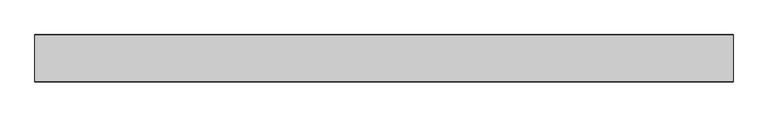
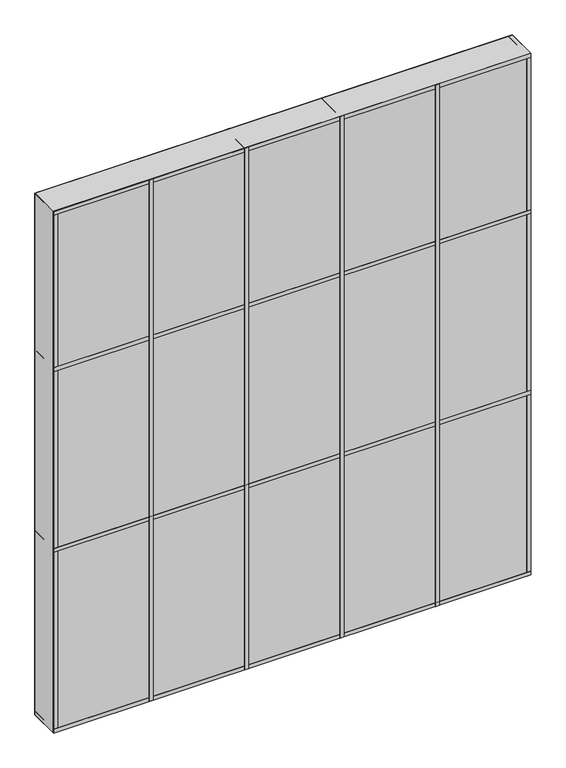
"""IFC4 building model written with IfcOpenShell, lengths in millimetres: plate geometry."""

import ifcopenshell
import ifcopenshell.guid

model = None  # the IFC model being written
_history = None  # IfcOwnerHistory: only IFC2X3 demands one
_inside = {}  # id of a spatial element -> (the spatial element, [elements in it])
_under = {}  # id of a project, library or spatial element -> (it, [spatial elements below it])
_declared = {}  # id of a project -> (the project, [libraries it declares])
_typed = {}  # id of a type object -> (the type object, [elements of that type])
_made_of = {}  # id of a material, layer set ... -> (it, [elements and type objects made of it])


def new_model(schema):
    """Start an empty IFC model of exactly this schema.

    Asked for "IFC4X3", IfcOpenShell would pick the latest addendum, in which some entities
    have other attributes; the version numbers below select the first issue.
    IFC2X3 requires an IfcOwnerHistory on every rooted entity: one is made here for all.
    """
    global model, _history
    if schema == "IFC4X3":
        model = ifcopenshell.file(schema_version=(4, 3, 0, 0))
    else:
        model = ifcopenshell.file(schema=schema)
    _inside.clear()
    _under.clear()
    _declared.clear()
    _typed.clear()
    _made_of.clear()
    _history = None
    if model.schema == "IFC2X3":
        org = make("IfcOrganization", Name="unknown")
        user = make(
            "IfcPersonAndOrganization",
            ThePerson=make("IfcPerson", FamilyName="unknown"),
            TheOrganization=org,
        )
        app = make(
            "IfcApplication",
            ApplicationDeveloper=org,
            Version="unknown",
            ApplicationFullName="unknown",
            ApplicationIdentifier="unknown",
        )
        _history = make(
            "IfcOwnerHistory",
            OwningUser=user,
            OwningApplication=app,
            ChangeAction="ADDED",
            CreationDate=0,
        )
    return model


def make(cls, **values):
    """One entity of the class cls with the attributes given. An attribute that is None is left unset."""
    return model.create_entity(
        cls, **{name: value for name, value in values.items() if value is not None}
    )


def rooted(cls, **values):
    """An entity with a GlobalId (a new one), such as an element, a storey or a relation."""
    return make(cls, GlobalId=ifcopenshell.guid.new(), OwnerHistory=_history, **values)


def si_unit(unit_type, name, prefix=None):
    """IfcSIUnit, for example si_unit("LENGTHUNIT", "METRE", prefix="MILLI")."""
    return make("IfcSIUnit", UnitType=unit_type, Prefix=prefix, Name=name)


def assignment(units):
    """IfcUnitAssignment: the units of a project."""
    return None if units is None else make("IfcUnitAssignment", Units=units)


def point(xyz):
    """IfcCartesianPoint."""
    return None if xyz is None else make("IfcCartesianPoint", Coordinates=xyz)


def direction(xyz):
    """IfcDirection."""
    return None if xyz is None else make("IfcDirection", DirectionRatios=xyz)


def frame(location, z_axis=None, x_axis=None):
    """IfcAxis2Placement3D, a coordinate frame: its origin and axes. An axis left out is left unset."""
    return make(
        "IfcAxis2Placement3D",
        Location=point(location),
        Axis=direction(z_axis),
        RefDirection=direction(x_axis),
    )


def origin():
    """The frame at (0, 0, 0) with its axes left unset."""
    return frame((0.0, 0.0, 0.0))


def origin_with_axes():
    """The frame at (0, 0, 0) with the z axis (0, 0, 1) and the x axis (1, 0, 0) written out."""
    return frame((0.0, 0.0, 0.0), z_axis=(0.0, 0.0, 1.0), x_axis=(1.0, 0.0, 0.0))


def place(relative_to, where):
    """IfcLocalPlacement: puts the frame where relative to a parent placement (None: the world)."""
    return make(
        "IfcLocalPlacement", PlacementRelTo=relative_to, RelativePlacement=where
    )


def context(
    kind, dimensions, precision=None, world=None, true_north=None, identifier=None
):
    """IfcGeometricRepresentationContext, for example the 3D "Model" context."""
    return make(
        "IfcGeometricRepresentationContext",
        ContextIdentifier=identifier,
        ContextType=kind,
        CoordinateSpaceDimension=dimensions,
        Precision=precision,
        WorldCoordinateSystem=world,
        TrueNorth=true_north,
    )


def project(units=None, contexts=None):
    """IfcProject with its units and contexts."""
    return rooted(
        "IfcProject",
        Name="project",
        RepresentationContexts=contexts,
        UnitsInContext=assignment(units),
    )


def spatial(cls, under=None, at=None, **own):
    """A site, building, storey or space (cls), placed at a placement, below another one or the project."""
    s = rooted(cls, ObjectPlacement=at, **own)
    if under is not None:
        _under.setdefault(under.id(), (under, []))[1].append(s)
    return s


def polyline(points):
    """IfcPolyline through the points."""
    return make("IfcPolyline", Points=[point(p) for p in points])


def outline(outer, holes=None, kind="AREA"):
    """IfcArbitraryClosedProfileDef: a profile drawn as a closed curve; with holes, ...WithVoids."""
    if holes is None:
        return make("IfcArbitraryClosedProfileDef", ProfileType=kind, OuterCurve=outer)
    return make(
        "IfcArbitraryProfileDefWithVoids",
        ProfileType=kind,
        OuterCurve=outer,
        InnerCurves=holes,
    )


def extrude(swept, where, along, depth):
    """IfcExtrudedAreaSolid: the profile swept, set in the frame where, extruded along a direction by depth."""
    return make(
        "IfcExtrudedAreaSolid",
        SweptArea=swept,
        Position=where,
        ExtrudedDirection=direction(along),
        Depth=depth,
    )


def shape(context_of_items, identifier, shape_type, items):
    """IfcShapeRepresentation: the items that make up one representation, for example the "Body"."""
    return make(
        "IfcShapeRepresentation",
        ContextOfItems=context_of_items,
        RepresentationIdentifier=identifier,
        RepresentationType=shape_type,
        Items=items,
    )


def source(mapping_origin, context_of_items, identifier, shape_type, items):
    """IfcRepresentationMap: a shape defined once, which mapped items show again and again."""
    return make(
        "IfcRepresentationMap",
        MappingOrigin=mapping_origin,
        MappedRepresentation=shape(context_of_items, identifier, shape_type, items),
    )


def transform(
    local_origin,
    x_axis=None,
    y_axis=None,
    z_axis=None,
    scale=None,
    scale2=None,
    scale3=None,
    uniform=True,
):
    """IfcCartesianTransformationOperator3D, or its non-uniform kind. x_axis, y_axis, z_axis: its Axis1, 2, 3."""
    if uniform:
        return make(
            "IfcCartesianTransformationOperator3D",
            Axis1=direction(x_axis),
            Axis2=direction(y_axis),
            LocalOrigin=point(local_origin),
            Scale=scale,
            Axis3=direction(z_axis),
        )
    return make(
        "IfcCartesianTransformationOperator3DnonUniform",
        Axis1=direction(x_axis),
        Axis2=direction(y_axis),
        LocalOrigin=point(local_origin),
        Scale=scale,
        Axis3=direction(z_axis),
        Scale2=scale2,
        Scale3=scale3,
    )


def mapped(mapping_source, mapping_target):
    """IfcMappedItem: shows the shape of a source again, moved by a transform."""
    return make(
        "IfcMappedItem", MappingSource=mapping_source, MappingTarget=mapping_target
    )


def made_of(thing, what):
    """Note that an element or type object is made of a material, layer set ...; save() writes the relation."""
    if what is not None:
        _made_of.setdefault(what.id(), (what, []))[1].append(thing)
    return thing


def element(
    cls,
    number,
    at=None,
    inside=None,
    cuts=None,
    type_object=None,
    material=None,
    context=None,
    identifier="Body",
    shape_type=None,
    held_by="IfcProductDefinitionShape",
    body=None,
    shapes=None,
    **own,
):
    """One element of the class cls, such as IfcWall. Its Tag is "e" and its number.

    at: its placement. inside: the storey or other place that contains it. cuts: it is an
    opening in that element (IfcRelVoidsElement). A single representation is given by context,
    identifier, shape_type and body (its items); several are given by shapes. held_by: the class
    of the entity that holds the representations. save() writes the other relations.
    """
    e = rooted(cls, Tag="e%d" % number, ObjectPlacement=at, **own)
    if body is not None:
        shapes = [shape(context, identifier, shape_type, body)]
    if shapes is not None:
        e.Representation = make(held_by, Representations=shapes)
    if inside is not None:
        _inside.setdefault(inside.id(), (inside, []))[1].append(e)
    if cuts is not None:
        rooted(
            "IfcRelVoidsElement", RelatingBuildingElement=cuts, RelatedOpeningElement=e
        )
    if type_object is not None:
        _typed.setdefault(type_object.id(), (type_object, []))[1].append(e)
    return made_of(e, material)


def aggregate(whole, parts):
    """IfcRelAggregates: a whole, such as a stair, and the parts it consists of."""
    return rooted("IfcRelAggregates", RelatingObject=whole, RelatedObjects=parts)


def save(model, path):
    """Write the relations noted so far, then the file.

    IfcRelAggregates (storeys below a building ...), IfcRelContainedInSpatialStructure (elements
    in a storey), IfcRelDefinesByType, IfcRelAssociatesMaterial and IfcRelDeclares: one each for
    every whole, place, type object, material and project.
    """
    for whole, parts in _under.values():
        aggregate(whole, parts)
    for where, things in _inside.values():
        rooted(
            "IfcRelContainedInSpatialStructure",
            RelatedElements=things,
            RelatingStructure=where,
        )
    for kind, things in _typed.values():
        rooted("IfcRelDefinesByType", RelatedObjects=things, RelatingType=kind)
    for what, things in _made_of.values():
        rooted("IfcRelAssociatesMaterial", RelatedObjects=things, RelatingMaterial=what)
    for by, libraries in _declared.values():
        rooted("IfcRelDeclares", RelatingContext=by, RelatedDefinitions=libraries)
    model.write(path)


def plate_329774cf(model_context):
    return source(origin(), model_context, "Body", "SweptSolid", [
        extrude(outline(polyline([(762.0, 50.8), (762.0, -50.8), (-762.0, -50.8), (-762.0, 50.8), (762.0, 50.8)])), origin_with_axes(), (0.0, 0.0, 1.0), 1758.95),
        extrude(outline(polyline([(457.2, 51.59375), (469.9, 51.59375), (469.9, -51.59375), (457.2, -51.59375), (457.2, 51.59375)])), origin_with_axes(), (0.0, 0.0, 1.0), 1758.95),
        extrude(outline(polyline([(152.4, 51.59375), (165.1, 51.59375), (165.1, -51.59375), (152.4, -51.59375), (152.4, 51.59375)])), origin_with_axes(), (0.0, 0.0, 1.0), 1758.95),
        extrude(outline(polyline([(-152.4, 51.59375), (-139.7, 51.59375), (-139.7, -51.59375), (-152.4, -51.59375), (-152.4, 51.59375)])), origin_with_axes(), (0.0, 0.0, 1.0), 1758.95),
        extrude(outline(polyline([(-457.2, 51.59375), (-444.5, 51.59375), (-444.5, -51.59375), (-457.2, -51.59375), (-457.2, 51.59375)])), origin_with_axes(), (0.0, 0.0, 1.0), 1758.95),
        extrude(outline(polyline([(762.0, 51.59375), (762.0, -51.59375), (-762.0, -51.59375), (-762.0, 51.59375), (762.0, 51.59375)])), frame((0.0, 0.0, 1219.2), z_axis=(0.0, 0.0, 1.0), x_axis=(1.0, 0.0, 0.0)), (0.0, 0.0, 1.0), 12.7),
        extrude(outline(polyline([(762.0, 51.59375), (762.0, -51.59375), (-762.0, -51.59375), (-762.0, 51.59375), (762.0, 51.59375)])), frame((0.0, 0.0, 1746.25), z_axis=(0.0, 0.0, 1.0), x_axis=(1.0, 0.0, 0.0)), (0.0, 0.0, 1.0), 12.7),
        extrude(outline(polyline([(762.0, 51.59375), (762.0, -51.59375), (-762.0, -51.59375), (-762.0, 51.59375), (762.0, 51.59375)])), frame((0.0, 0.0, 609.6), z_axis=(0.0, 0.0, 1.0), x_axis=(1.0, 0.0, 0.0)), (0.0, 0.0, 1.0), 12.7),
        extrude(outline(polyline([(762.0, 51.59375), (762.0, -51.59375), (-762.0, -51.59375), (-762.0, 51.59375), (762.0, 51.59375)])), origin_with_axes(), (0.0, 0.0, 1.0), 12.7),
        extrude(outline(polyline([(762.0, 51.59375), (762.0, -51.59375), (749.3, -51.59375), (749.3, 51.59375), (762.0, 51.59375)])), origin_with_axes(), (0.0, 0.0, 1.0), 1758.95),
        extrude(outline(polyline([(-762.0, 51.59375), (-749.3, 51.59375), (-749.3, -51.59375), (-762.0, -51.59375), (-762.0, 51.59375)])), origin_with_axes(), (0.0, 0.0, 1.0), 1758.95),
    ])


if __name__ == "__main__":
    model = new_model("IFC4")
    model_context = context("Model", 3, world=origin())
    ifc_project = project(units=[si_unit("LENGTHUNIT", "METRE", prefix="MILLI")], contexts=[model_context])
    site = spatial("IfcSite", under=ifc_project)
    building = spatial("IfcBuilding", under=site)
    placement = place(None, origin())
    plate_shape = plate_329774cf(model_context)
    element("IfcPlate", 1, at=placement, inside=building, context=model_context, shape_type="MappedRepresentation", body=[
        mapped(plate_shape, transform((0.0, 0.0, 0.0), x_axis=(1.0, 0.0, 0.0), y_axis=(0.0, 1.0, 0.0), z_axis=(0.0, 0.0, 1.0))),
    ])
    save(model, "model.ifc")
